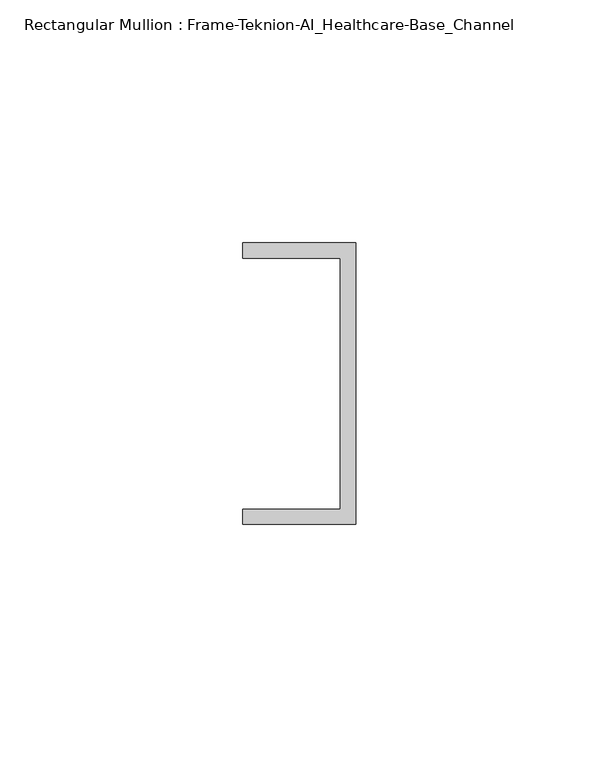
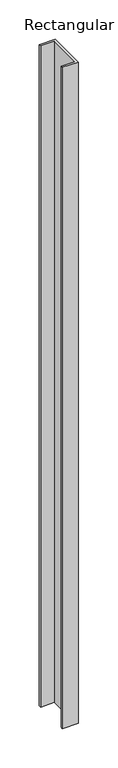
"""IFC4 building model written with IfcOpenShell, lengths in millimetres: member geometry, Rectangular Mullion : Frame-Teknion-AI_Healthcare-Base_Channel."""

import ifcopenshell
import ifcopenshell.guid

model = None  # the IFC model being written
_history = None  # IfcOwnerHistory: only IFC2X3 demands one
_inside = {}  # id of a spatial element -> (the spatial element, [elements in it])
_under = {}  # id of a project, library or spatial element -> (it, [spatial elements below it])
_declared = {}  # id of a project -> (the project, [libraries it declares])
_typed = {}  # id of a type object -> (the type object, [elements of that type])
_made_of = {}  # id of a material, layer set ... -> (it, [elements and type objects made of it])


def new_model(schema):
    """Start an empty IFC model of exactly this schema.

    Asked for "IFC4X3", IfcOpenShell would pick the latest addendum, in which some entities
    have other attributes; the version numbers below select the first issue.
    IFC2X3 requires an IfcOwnerHistory on every rooted entity: one is made here for all.
    """
    global model, _history
    if schema == "IFC4X3":
        model = ifcopenshell.file(schema_version=(4, 3, 0, 0))
    else:
        model = ifcopenshell.file(schema=schema)
    _inside.clear()
    _under.clear()
    _declared.clear()
    _typed.clear()
    _made_of.clear()
    _history = None
    if model.schema == "IFC2X3":
        org = make("IfcOrganization", Name="unknown")
        user = make(
            "IfcPersonAndOrganization",
            ThePerson=make("IfcPerson", FamilyName="unknown"),
            TheOrganization=org,
        )
        app = make(
            "IfcApplication",
            ApplicationDeveloper=org,
            Version="unknown",
            ApplicationFullName="unknown",
            ApplicationIdentifier="unknown",
        )
        _history = make(
            "IfcOwnerHistory",
            OwningUser=user,
            OwningApplication=app,
            ChangeAction="ADDED",
            CreationDate=0,
        )
    return model


def make(cls, **values):
    """One entity of the class cls with the attributes given. An attribute that is None is left unset."""
    return model.create_entity(
        cls, **{name: value for name, value in values.items() if value is not None}
    )


def rooted(cls, **values):
    """An entity with a GlobalId (a new one), such as an element, a storey or a relation."""
    return make(cls, GlobalId=ifcopenshell.guid.new(), OwnerHistory=_history, **values)


def si_unit(unit_type, name, prefix=None):
    """IfcSIUnit, for example si_unit("LENGTHUNIT", "METRE", prefix="MILLI")."""
    return make("IfcSIUnit", UnitType=unit_type, Prefix=prefix, Name=name)


def assignment(units):
    """IfcUnitAssignment: the units of a project."""
    return None if units is None else make("IfcUnitAssignment", Units=units)


def point(xyz):
    """IfcCartesianPoint."""
    return None if xyz is None else make("IfcCartesianPoint", Coordinates=xyz)


def direction(xyz):
    """IfcDirection."""
    return None if xyz is None else make("IfcDirection", DirectionRatios=xyz)


def frame(location, z_axis=None, x_axis=None):
    """IfcAxis2Placement3D, a coordinate frame: its origin and axes. An axis left out is left unset."""
    return make(
        "IfcAxis2Placement3D",
        Location=point(location),
        Axis=direction(z_axis),
        RefDirection=direction(x_axis),
    )


def origin():
    """The frame at (0, 0, 0) with its axes left unset."""
    return frame((0.0, 0.0, 0.0))


def place(relative_to, where):
    """IfcLocalPlacement: puts the frame where relative to a parent placement (None: the world)."""
    return make(
        "IfcLocalPlacement", PlacementRelTo=relative_to, RelativePlacement=where
    )


def context(
    kind, dimensions, precision=None, world=None, true_north=None, identifier=None
):
    """IfcGeometricRepresentationContext, for example the 3D "Model" context."""
    return make(
        "IfcGeometricRepresentationContext",
        ContextIdentifier=identifier,
        ContextType=kind,
        CoordinateSpaceDimension=dimensions,
        Precision=precision,
        WorldCoordinateSystem=world,
        TrueNorth=true_north,
    )


def project(units=None, contexts=None):
    """IfcProject with its units and contexts."""
    return rooted(
        "IfcProject",
        Name="project",
        RepresentationContexts=contexts,
        UnitsInContext=assignment(units),
    )


def spatial(cls, under=None, at=None, **own):
    """A site, building, storey or space (cls), placed at a placement, below another one or the project."""
    s = rooted(cls, ObjectPlacement=at, **own)
    if under is not None:
        _under.setdefault(under.id(), (under, []))[1].append(s)
    return s


def polyline(points):
    """IfcPolyline through the points."""
    return make("IfcPolyline", Points=[point(p) for p in points])


def outline(outer, holes=None, kind="AREA"):
    """IfcArbitraryClosedProfileDef: a profile drawn as a closed curve; with holes, ...WithVoids."""
    if holes is None:
        return make("IfcArbitraryClosedProfileDef", ProfileType=kind, OuterCurve=outer)
    return make(
        "IfcArbitraryProfileDefWithVoids",
        ProfileType=kind,
        OuterCurve=outer,
        InnerCurves=holes,
    )


def extrude(swept, where, along, depth):
    """IfcExtrudedAreaSolid: the profile swept, set in the frame where, extruded along a direction by depth."""
    return make(
        "IfcExtrudedAreaSolid",
        SweptArea=swept,
        Position=where,
        ExtrudedDirection=direction(along),
        Depth=depth,
    )


def shape(context_of_items, identifier, shape_type, items):
    """IfcShapeRepresentation: the items that make up one representation, for example the "Body"."""
    return make(
        "IfcShapeRepresentation",
        ContextOfItems=context_of_items,
        RepresentationIdentifier=identifier,
        RepresentationType=shape_type,
        Items=items,
    )


def source(mapping_origin, context_of_items, identifier, shape_type, items):
    """IfcRepresentationMap: a shape defined once, which mapped items show again and again."""
    return make(
        "IfcRepresentationMap",
        MappingOrigin=mapping_origin,
        MappedRepresentation=shape(context_of_items, identifier, shape_type, items),
    )


def transform(
    local_origin,
    x_axis=None,
    y_axis=None,
    z_axis=None,
    scale=None,
    scale2=None,
    scale3=None,
    uniform=True,
):
    """IfcCartesianTransformationOperator3D, or its non-uniform kind. x_axis, y_axis, z_axis: its Axis1, 2, 3."""
    if uniform:
        return make(
            "IfcCartesianTransformationOperator3D",
            Axis1=direction(x_axis),
            Axis2=direction(y_axis),
            LocalOrigin=point(local_origin),
            Scale=scale,
            Axis3=direction(z_axis),
        )
    return make(
        "IfcCartesianTransformationOperator3DnonUniform",
        Axis1=direction(x_axis),
        Axis2=direction(y_axis),
        LocalOrigin=point(local_origin),
        Scale=scale,
        Axis3=direction(z_axis),
        Scale2=scale2,
        Scale3=scale3,
    )


def mapped(mapping_source, mapping_target):
    """IfcMappedItem: shows the shape of a source again, moved by a transform."""
    return make(
        "IfcMappedItem", MappingSource=mapping_source, MappingTarget=mapping_target
    )


def made_of(thing, what):
    """Note that an element or type object is made of a material, layer set ...; save() writes the relation."""
    if what is not None:
        _made_of.setdefault(what.id(), (what, []))[1].append(thing)
    return thing


def element(
    cls,
    number,
    at=None,
    inside=None,
    cuts=None,
    type_object=None,
    material=None,
    context=None,
    identifier="Body",
    shape_type=None,
    held_by="IfcProductDefinitionShape",
    body=None,
    shapes=None,
    **own,
):
    """One element of the class cls, such as IfcWall. Its Tag is "e" and its number.

    at: its placement. inside: the storey or other place that contains it. cuts: it is an
    opening in that element (IfcRelVoidsElement). A single representation is given by context,
    identifier, shape_type and body (its items); several are given by shapes. held_by: the class
    of the entity that holds the representations. save() writes the other relations.
    """
    e = rooted(cls, Tag="e%d" % number, ObjectPlacement=at, **own)
    if body is not None:
        shapes = [shape(context, identifier, shape_type, body)]
    if shapes is not None:
        e.Representation = make(held_by, Representations=shapes)
    if inside is not None:
        _inside.setdefault(inside.id(), (inside, []))[1].append(e)
    if cuts is not None:
        rooted(
            "IfcRelVoidsElement", RelatingBuildingElement=cuts, RelatedOpeningElement=e
        )
    if type_object is not None:
        _typed.setdefault(type_object.id(), (type_object, []))[1].append(e)
    return made_of(e, material)


def aggregate(whole, parts):
    """IfcRelAggregates: a whole, such as a stair, and the parts it consists of."""
    return rooted("IfcRelAggregates", RelatingObject=whole, RelatedObjects=parts)


def save(model, path):
    """Write the relations noted so far, then the file.

    IfcRelAggregates (storeys below a building ...), IfcRelContainedInSpatialStructure (elements
    in a storey), IfcRelDefinesByType, IfcRelAssociatesMaterial and IfcRelDeclares: one each for
    every whole, place, type object, material and project.
    """
    for whole, parts in _under.values():
        aggregate(whole, parts)
    for where, things in _inside.values():
        rooted(
            "IfcRelContainedInSpatialStructure",
            RelatedElements=things,
            RelatingStructure=where,
        )
    for kind, things in _typed.values():
        rooted("IfcRelDefinesByType", RelatedObjects=things, RelatingType=kind)
    for what, things in _made_of.values():
        rooted("IfcRelAssociatesMaterial", RelatedObjects=things, RelatingMaterial=what)
    for by, libraries in _declared.values():
        rooted("IfcRelDeclares", RelatingContext=by, RelatedDefinitions=libraries)
    model.write(path)


def rectangular_mullion_frame_teknion_ai_healthcare_base_channel_1e9684f2(model_context):
    return source(origin(), model_context, "Body", "SweptSolid", [
        extrude(outline(polyline([(0.0, -29.0214844), (-23.3164063, -29.0214844), (-23.3164063, -25.8464844), (-3.175, -25.8464844), (-3.175, 25.8464844), (-23.3164063, 25.8464844), (-23.3164063, 29.0214844), (0.0, 29.0214844), (0.0, -29.0214844)])), frame((0.0, 0.0, -1022.7122528), z_axis=(0.0, 0.0, 1.0), x_axis=(1.0, 0.0, 0.0)), (0.0, 0.0, 1.0), 1022.7122528),
    ])


if __name__ == "__main__":
    model = new_model("IFC4")
    model_context = context("Model", 3, world=origin())
    ifc_project = project(units=[si_unit("LENGTHUNIT", "METRE", prefix="MILLI")], contexts=[model_context])
    site = spatial("IfcSite", under=ifc_project)
    building = spatial("IfcBuilding", under=site)
    placement = place(None, origin())
    rectangular_mullion_frame_teknion_ai_healthcare_base_channel_shape = rectangular_mullion_frame_teknion_ai_healthcare_base_channel_1e9684f2(model_context)
    element("IfcMember", 1, ObjectType="Rectangular Mullion : Frame-Teknion-AI_Healthcare-Base_Channel", at=placement, inside=building, context=model_context, shape_type="MappedRepresentation", body=[
        mapped(rectangular_mullion_frame_teknion_ai_healthcare_base_channel_shape, transform((0.0, 0.0, 0.0), x_axis=(1.0, 0.0, 0.0), y_axis=(0.0, 1.0, 0.0), z_axis=(0.0, 0.0, 1.0))),
    ])
    save(model, "model.ifc")
